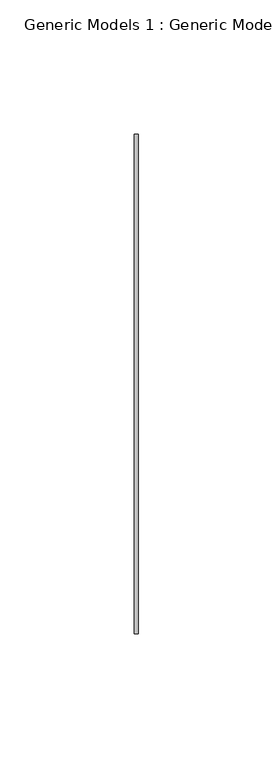
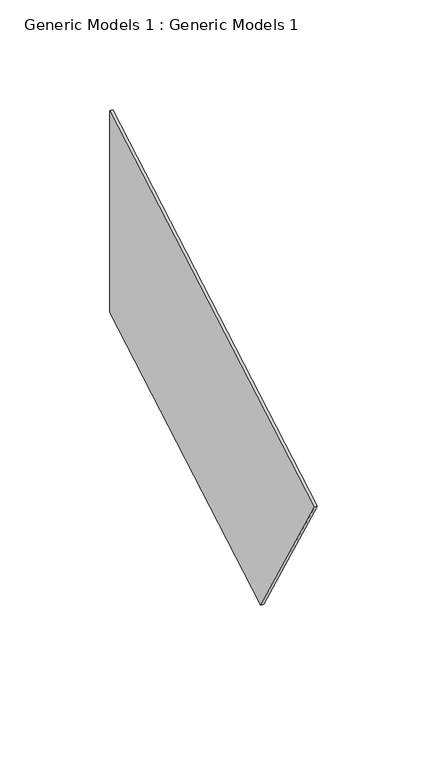
"""IFC4 building model written with IfcOpenShell, lengths in millimetres: proxy geometry, Generic Models 1 : Generic Models 1."""

from ifc_helpers import new_model, si_unit, frame, origin, place, context, project, spatial, polyline, outline, extrude, source, transform, mapped, element, save


def generic_models_1_generic_models_1_16edd065(model_context):
    return source(origin(), model_context, "Body", "SweptSolid", [
        extrude(outline(polyline([(-12256.8626701, 1450.731173), (-12305.3732572, 1534.7539746), (-12119.3068443, 1642.1794682), (-12119.3068443, 1530.1490661), (-12256.8626701, 1450.731173)])), frame((8339.8768877, 0.0, 0.0), z_axis=(1.0, 0.0, 0.0), x_axis=(0.0, 1.0, 0.0)), (0.0, 0.0, 1.0), 1.5748),
    ])


if __name__ == "__main__":
    model = new_model("IFC4")
    model_context = context("Model", 3, world=origin())
    ifc_project = project(units=[si_unit("LENGTHUNIT", "METRE", prefix="MILLI")], contexts=[model_context])
    site = spatial("IfcSite", under=ifc_project)
    building = spatial("IfcBuilding", under=site)
    placement = place(None, origin())
    generic_models_1_generic_models_1_shape = generic_models_1_generic_models_1_16edd065(model_context)
    element("IfcBuildingElementProxy", 1, Name="Generic Models 1 : Generic Models 1", ObjectType="Generic Models 1 : Generic Models 1", at=placement, inside=building, context=model_context, shape_type="MappedRepresentation", body=[
        mapped(generic_models_1_generic_models_1_shape, transform((0.0, 0.0, 0.0), x_axis=(1.0, 0.0, 0.0), y_axis=(0.0, 1.0, 0.0), z_axis=(0.0, 0.0, 1.0))),
    ])
    save(model, "model.ifc")
